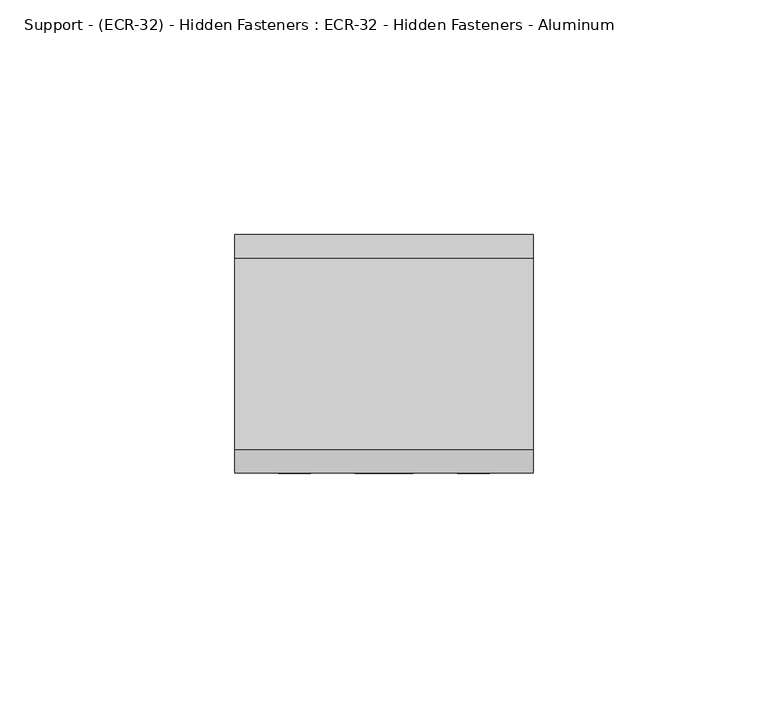
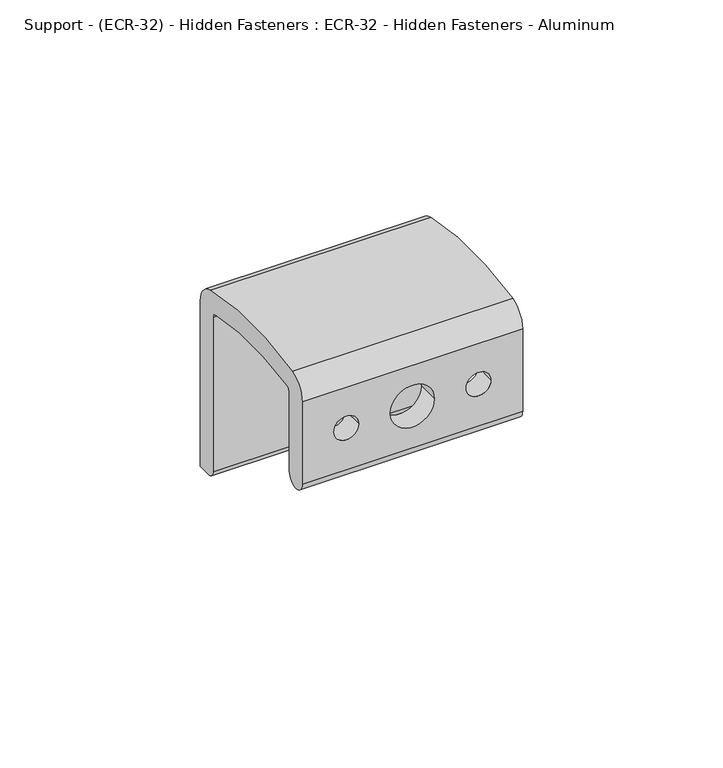
"""IFC4 building model written with IfcOpenShell, lengths in millimetres: proxy geometry, Support - (ECR-32) - Hidden Fasteners : ECR-32 - Hidden Fasteners - Aluminum."""

from ifc_helpers import new_model, si_unit, frame, origin, place, context, project, spatial, polyline, circle_curve, source, transform, mapped, element, save
from ifc_brep_helpers import plane_surface, cylinder_surface, revolved_surface, advanced_brep


def support_ecr_32_hidden_fasteners_ecr_32_hidden_fasteners_81bbb6d2(model_context):
    return source(origin(), model_context, "Body", "AdvancedBrep", [
        advanced_brep(
        [(31.75, 12.7, 38.1), (31.75, 12.7, 61.9804159), (31.75, 13.9105464, 63.4718323), (31.75, 49.6179917, 63.4655481), (31.75, 50.8, 61.9804159), (31.75, 50.8, 14.986), (31.75, 53.086, 12.7), (31.75, 57.15, 12.7), (31.75, 57.15, 63.2193778), (31.75, 52.1433211, 69.425664), (31.75, 11.3567308, 69.425664), (31.75, 6.35, 63.2193666), (31.75, 6.35, 38.1), (-31.75, 12.7, 38.1), (-31.75, 6.35, 38.1), (-31.75, 6.35, 63.2193666), (-31.75, 11.3567308, 69.425664), (-31.75, 52.1433211, 69.425664), (-31.75, 57.15, 63.2193778), (-31.75, 57.15, 12.7), (-31.75, 53.086, 12.7), (-31.75, 50.8, 14.986), (-31.75, 50.8, 61.9804159), (-31.75, 49.6179917, 63.4655481), (-31.75, 13.9105464, 63.4718323), (-31.75, 12.7, 61.9804159), (-22.621875, 12.7, 50.8), (-15.478125, 12.7, 50.8), (-6.35, 12.7, 50.8), (6.35, 12.7, 50.8), (15.478125, 12.7, 50.8), (22.621875, 12.7, 50.8), (-15.478125, 6.35, 50.8), (-22.621875, 6.35, 50.8), (6.35, 6.35, 50.8), (-6.35, 6.35, 50.8), (22.621875, 6.35, 50.8), (15.478125, 6.35, 50.8)],
        [
            (0, 1),
            (1, 2, circle_curve(frame((31.75, 14.224, 61.9804159), z_axis=(-1.0, 0.0, 0.0), x_axis=(0.0, 1.0, 0.0)), 1.524)),
            (2, 3, circle_curve(frame((31.75, 31.7500259, -17.4625), z_axis=(-1.0, 0.0, 0.0), x_axis=(0.0, 1.0, 0.0)), 82.8770968)),
            (3, 4, circle_curve(frame((31.75, 49.276, 61.9804159), z_axis=(-1.0, 0.0, 0.0), x_axis=(0.0, 1.0, 0.0)), 1.524)),
            (4, 5),
            (5, 6, circle_curve(frame((31.75, 53.086, 14.986), z_axis=(1.0, 0.0, 0.0), x_axis=(0.0, 1.0, 0.0)), 2.286)),
            (6, 7),
            (7, 8),
            (8, 9, circle_curve(frame((31.75, 50.8, 63.2193778), z_axis=(1.0, 0.0, 0.0), x_axis=(0.0, 1.0, 0.0)), 6.35)),
            (9, 10, circle_curve(frame((31.75, 31.7500259, -17.4625), z_axis=(1.0, 0.0, 0.0), x_axis=(0.0, 1.0, 0.0)), 89.2493111)),
            (10, 11, circle_curve(frame((31.75, 12.7, 63.2193666), z_axis=(1.0, 0.0, 0.0), x_axis=(0.0, 1.0, 0.0)), 6.35)),
            (11, 12),
            (12, 0, circle_curve(frame((31.75, 9.525, 38.1), z_axis=(1.0, 0.0, 0.0), x_axis=(0.0, 1.0, 0.0)), 3.175)),
            (13, 14, circle_curve(frame((-31.75, 9.525, 38.1), z_axis=(-1.0, 0.0, 0.0), x_axis=(0.0, 1.0, 0.0)), 3.175)),
            (14, 15),
            (15, 16, circle_curve(frame((-31.75, 12.7, 63.2193666), z_axis=(-1.0, 0.0, 0.0), x_axis=(0.0, 1.0, 0.0)), 6.35)),
            (16, 17, circle_curve(frame((-31.75, 31.7500259, -17.4625), z_axis=(-1.0, 0.0, 0.0), x_axis=(0.0, 1.0, 0.0)), 89.2493111)),
            (17, 18, circle_curve(frame((-31.75, 50.8, 63.2193778), z_axis=(-1.0, 0.0, 0.0), x_axis=(0.0, 1.0, 0.0)), 6.35)),
            (18, 19),
            (19, 20),
            (20, 21, circle_curve(frame((-31.75, 53.086, 14.986), z_axis=(-1.0, 0.0, 0.0), x_axis=(0.0, 1.0, 0.0)), 2.286)),
            (21, 22),
            (22, 23, circle_curve(frame((-31.75, 49.276, 61.9804159), z_axis=(1.0, 0.0, 0.0), x_axis=(0.0, 1.0, 0.0)), 1.524)),
            (23, 24, circle_curve(frame((-31.75, 31.7500259, -17.4625), z_axis=(1.0, 0.0, 0.0), x_axis=(0.0, 1.0, 0.0)), 82.8770968)),
            (24, 25, circle_curve(frame((-31.75, 14.224, 61.9804159), z_axis=(1.0, 0.0, 0.0), x_axis=(0.0, 1.0, 0.0)), 1.524)),
            (25, 13),
            (0, 13),
            (25, 1),
            (26, 27, circle_curve(frame((-19.05, 12.7, 50.8), z_axis=(0.0, -1.0, 0.0), x_axis=(1.0, 0.0, 0.0)), 3.571875)),
            (27, 26, circle_curve(frame((-19.05, 12.7, 50.8), z_axis=(0.0, -1.0, 0.0), x_axis=(1.0, 0.0, 0.0)), 3.571875)),
            (28, 29, circle_curve(frame((0.0, 12.7, 50.8), z_axis=(0.0, -1.0, 0.0), x_axis=(1.0, 0.0, 0.0)), 6.35)),
            (29, 28, circle_curve(frame((0.0, 12.7, 50.8), z_axis=(0.0, -1.0, 0.0), x_axis=(1.0, 0.0, 0.0)), 6.35)),
            (30, 31, circle_curve(frame((19.05, 12.7, 50.8), z_axis=(0.0, -1.0, 0.0), x_axis=(1.0, 0.0, 0.0)), 3.571875)),
            (31, 30, circle_curve(frame((19.05, 12.7, 50.8), z_axis=(0.0, -1.0, 0.0), x_axis=(1.0, 0.0, 0.0)), 3.571875)),
            (24, 2),
            (23, 3),
            (22, 4),
            (21, 5),
            (20, 6),
            (19, 7),
            (18, 8),
            (17, 9),
            (16, 10),
            (15, 11),
            (14, 12),
            (32, 33, circle_curve(frame((-19.05, 6.35, 50.8), z_axis=(0.0, 1.0, 0.0), x_axis=(1.0, 0.0, 0.0)), 3.571875)),
            (33, 32, circle_curve(frame((-19.05, 6.35, 50.8), z_axis=(0.0, 1.0, 0.0), x_axis=(1.0, 0.0, 0.0)), 3.571875)),
            (34, 35, circle_curve(frame((0.0, 6.35, 50.8), z_axis=(0.0, 1.0, 0.0), x_axis=(1.0, 0.0, 0.0)), 6.35)),
            (35, 34, circle_curve(frame((0.0, 6.35, 50.8), z_axis=(0.0, 1.0, 0.0), x_axis=(1.0, 0.0, 0.0)), 6.35)),
            (36, 37, circle_curve(frame((19.05, 6.35, 50.8), z_axis=(0.0, 1.0, 0.0), x_axis=(1.0, 0.0, 0.0)), 3.571875)),
            (37, 36, circle_curve(frame((19.05, 6.35, 50.8), z_axis=(0.0, 1.0, 0.0), x_axis=(1.0, 0.0, 0.0)), 3.571875)),
            (32, 27),
            (26, 33),
            (34, 29),
            (28, 35),
            (36, 31),
            (30, 37),
        ],
        [
            plane_surface(frame((31.75, 12.7, 61.9804159), z_axis=(1.0, 0.0, 0.0), x_axis=(0.0, 0.0, 1.0))),
            plane_surface(frame((-31.75, 12.7, 61.9804159), z_axis=(-1.0, 0.0, 0.0), x_axis=(0.0, 0.0, -1.0))),
            plane_surface(frame((31.75, 12.7, 38.1), z_axis=(0.0, 1.0, 0.0), x_axis=(-1.0, 0.0, 0.0))),
            revolved_surface(polyline([(-31.75, 15.748000000000001, 61.9804159), (31.75, 15.748000000000001, 61.9804159)]), (-31.75, 14.224, 61.9804159), (-1.0, 0.0, 0.0)),
            revolved_surface(polyline([(-31.75, 114.6271227, -17.4625), (31.75, 114.6271227, -17.4625)]), (-31.75, 31.7500259, -17.4625), (-1.0, 0.0, 0.0)),
            revolved_surface(polyline([(-31.75, 50.800000000000004, 61.9804159), (31.75, 50.800000000000004, 61.9804159)]), (-31.75, 49.276, 61.9804159), (-1.0, 0.0, 0.0)),
            plane_surface(frame((31.75, 50.8, 61.9804159), z_axis=(0.0, -1.0, 0.0), x_axis=(-1.0, 0.0, 0.0))),
            cylinder_surface(frame((-31.75, 53.086, 14.986), z_axis=(1.0, 0.0, 0.0), x_axis=(0.0, 1.0, 0.0)), 2.286),
            plane_surface(frame((31.75, 53.086, 12.7), z_axis=(0.0, 0.0, -1.0), x_axis=(-1.0, 0.0, 0.0))),
            plane_surface(frame((31.75, 57.15, 12.7), z_axis=(0.0, 1.0, 0.0), x_axis=(-1.0, 0.0, 0.0))),
            cylinder_surface(frame((-31.75, 50.8, 63.2193778), z_axis=(1.0, 0.0, 0.0), x_axis=(0.0, 1.0, 0.0)), 6.35),
            cylinder_surface(frame((-31.75, 31.7500259, -17.4625), z_axis=(1.0, 0.0, 0.0), x_axis=(0.0, 1.0, 0.0)), 89.2493111),
            cylinder_surface(frame((-31.75, 12.7, 63.2193666), z_axis=(1.0, 0.0, 0.0), x_axis=(0.0, 1.0, 0.0)), 6.35),
            plane_surface(frame((31.75, 6.35, 63.2193666), z_axis=(0.0, -1.0, 0.0), x_axis=(-1.0, 0.0, 0.0))),
            cylinder_surface(frame((-31.75, 9.525, 38.1), z_axis=(1.0, 0.0, 0.0), x_axis=(0.0, 1.0, 0.0)), 3.175),
            revolved_surface(polyline([(-15.478125, 6.35, 50.8), (-15.478125, 12.7, 50.8)]), (-19.05, 12.7, 50.8), (0.0, -1.0, 0.0)),
            revolved_surface(polyline([(6.35, 6.35, 50.8), (6.35, 12.7, 50.8)]), (0.0, 0.0, 50.8), (0.0, -1.0, 0.0)),
            revolved_surface(polyline([(22.621875, 6.35, 50.8), (22.621875, 12.7, 50.8)]), (19.05, 0.0, 50.8), (0.0, -1.0, 0.0)),
        ],
        [
            (0, [[1, 2, 3, 4, 5, 6, 7, 8, 9, 10, 11, 12, 13]]),
            (1, [[14, 15, 16, 17, 18, 19, 20, 21, 22, 23, 24, 25, 26]]),
            (2, [[-1, 27, -26, 28], [29, 30], [31, 32], [33, 34]]),
            (3, [[-2, -28, -25, 35]]),
            (4, [[-3, -35, -24, 36]]),
            (5, [[-4, -36, -23, 37]]),
            (6, [[-5, -37, -22, 38]]),
            (7, [[-6, -38, -21, 39]]),
            (8, [[-7, -39, -20, 40]]),
            (9, [[-8, -40, -19, 41]]),
            (10, [[-9, -41, -18, 42]]),
            (11, [[-10, -42, -17, 43]]),
            (12, [[-11, -43, -16, 44]]),
            (13, [[-12, -44, -15, 45], [46, 47], [48, 49], [50, 51]]),
            (14, [[-13, -45, -14, -27]]),
            (15, [[52, -29, 53, -46]]),
            (15, [[-52, -47, -53, -30]]),
            (16, [[54, -31, 55, -48]]),
            (16, [[-54, -49, -55, -32]]),
            (17, [[56, -33, 57, -50]]),
            (17, [[-56, -51, -57, -34]]),
        ],
    ),
    ])


if __name__ == "__main__":
    model = new_model("IFC4")
    model_context = context("Model", 3, world=origin())
    ifc_project = project(units=[si_unit("LENGTHUNIT", "METRE", prefix="MILLI")], contexts=[model_context])
    site = spatial("IfcSite", under=ifc_project)
    building = spatial("IfcBuilding", under=site)
    placement = place(None, origin())
    support_ecr_32_hidden_fasteners_ecr_32_hidden_fasteners_shape = support_ecr_32_hidden_fasteners_ecr_32_hidden_fasteners_81bbb6d2(model_context)
    element("IfcBuildingElementProxy", 1, Name="Support - (ECR-32) - Hidden Fasteners : ECR-32 - Hidden Fasteners - Aluminum", ObjectType="Support - (ECR-32) - Hidden Fasteners : ECR-32 - Hidden Fasteners - Aluminum", at=placement, inside=building, context=model_context, shape_type="MappedRepresentation", body=[
        mapped(support_ecr_32_hidden_fasteners_ecr_32_hidden_fasteners_shape, transform((0.0, 0.0, 0.0), x_axis=(1.0, 0.0, 0.0), y_axis=(0.0, 1.0, 0.0), z_axis=(0.0, 0.0, 1.0))),
    ])
    save(model, "model.ifc")
